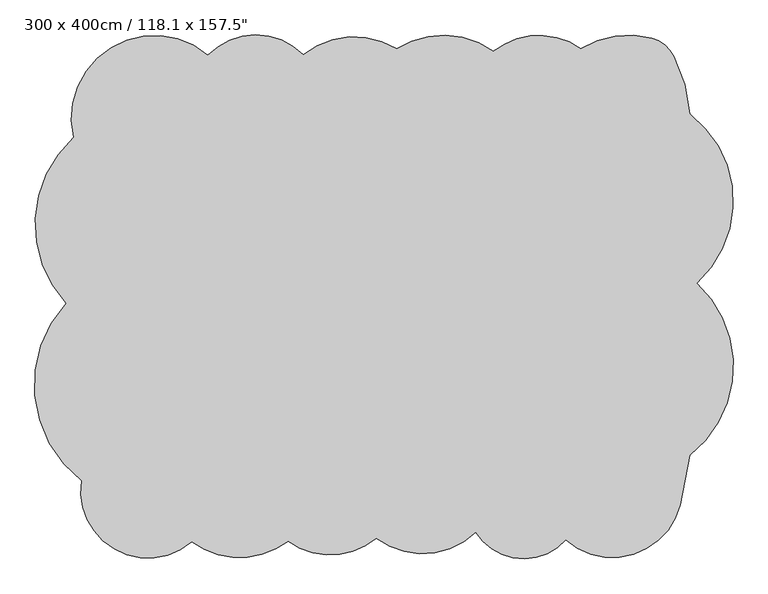
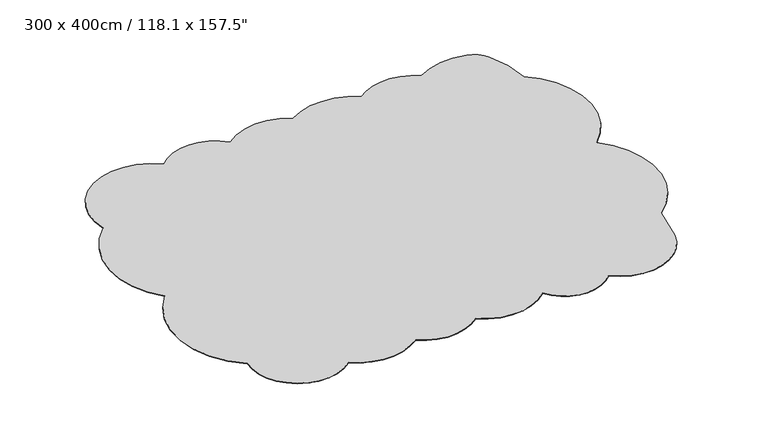
"""IFC4 building model written with IfcOpenShell, lengths in millimetres: furniture geometry."""

from ifc_helpers import new_model, si_unit, point, frame_2d, origin, origin_with_axes, place, context, project, spatial, circle_curve, trimmed, segment, composite_curve, outline, extrude, source, transform, mapped, element, save


def furniture_7aac58ef(model_context):
    return source(origin(), model_context, "Body", "SweptSolid", [
        extrude(outline(composite_curve([segment(trimmed(circle_curve(frame_2d((-1302.5736376, -504.6167673)), 689.6451918), [point((-1723.1191965, -1051.1988046))], [point((-1810.6750343, -38.3084345))], False, "CARTESIAN"), True, "CONTINUOUS"), segment(trimmed(circle_curve(frame_2d((-1322.9343401, 412.7978502)), 664.3702769), [point((-1810.6750343, -38.3084345))], [point((-1768.6604076, 905.4601459))], False, "CARTESIAN"), True, "CONTINUOUS"), segment(trimmed(circle_curve(frame_2d((-1309.3720515, 1014.2603685)), 471.9992399), [point((-1768.6604076, 905.4601459))], [point((-1003.7727036, 1373.9718099))], False, "CARTESIAN"), True, "CONTINUOUS"), segment(trimmed(circle_curve(frame_2d((-730.8615751, 1110.6178465)), 379.2568972), [point((-1003.7727036, 1373.9718099))], [point((-461.0864728, 1377.1833887))], False, "CARTESIAN"), True, "CONTINUOUS"), segment(trimmed(circle_curve(frame_2d((-171.8962061, 1019.6011169)), 459.8870421), [point((-461.0864728, 1377.1833887))], [point((71.8354432, 1409.5895457))], False, "CARTESIAN"), True, "CONTINUOUS"), segment(trimmed(circle_curve(frame_2d((336.7390713, 1000.1168092)), 487.6903261), [point((71.8354432, 1409.5895457))], [point((622.3901987, 1395.3955558))], False, "CARTESIAN"), True, "CONTINUOUS"), segment(trimmed(circle_curve(frame_2d((882.8244931, 1070.7534318)), 416.1953032), [point((622.3901987, 1395.3955558))], [point((1121.5622226, 1411.6681233))], False, "CARTESIAN"), True, "CONTINUOUS"), segment(trimmed(circle_curve(frame_2d((1391.3997803, 974.5453393)), 513.7009206), [point((1121.5622226, 1411.6681233))], [point((1524.5515417, 1470.6897177))], False, "CARTESIAN"), True, "CONTINUOUS"), segment(trimmed(circle_curve(frame_2d((1472.7113537, 1277.5250343)), 200.0), [point((1524.5515417, 1470.6897177))], [point((1650.5364792, 1369.0576774))], False, "CARTESIAN"), True, "CONTINUOUS"), segment(trimmed(circle_curve(frame_2d((912.0741807, 988.946004)), 830.5488851), [point((1650.5364792, 1369.0576774))], [point((1741.0855008, 1039.4601774))], False, "CARTESIAN"), True, "CONTINUOUS"), segment(trimmed(circle_curve(frame_2d((1361.9297835, 540.9576797)), 626.3096664), [point((1741.0855008, 1039.4601774))], [point((1781.0776818, 75.5773648))], False, "CARTESIAN"), True, "CONTINUOUS"), segment(trimmed(circle_curve(frame_2d((1347.0490142, -397.7684211)), 642.2126729), [point((1781.0776818, 75.5773648))], [point((1742.5504104, -903.7484235))], False, "CARTESIAN"), True, "CONTINUOUS"), segment(trimmed(circle_curve(frame_2d((-399.3821585, -640.7189582)), 2158.0221568), [point((1742.5504104, -903.7484235))], [point((1688.0496196, -1188.1568096))], False, "CARTESIAN"), True, "CONTINUOUS"), segment(trimmed(circle_curve(frame_2d((1300.3594406, -1086.4834133)), 400.8006417), [point((1688.0496196, -1188.1568096))], [point((1496.5808391, -1435.9663416))], False, "CARTESIAN"), True, "CONTINUOUS"), segment(trimmed(circle_curve(frame_2d((1300.3594406, -1086.4834133)), 400.8006417), [point((1496.5808391, -1435.9663416))], [point((1034.5069691, -1386.4227701))], False, "CARTESIAN"), True, "CONTINUOUS"), segment(trimmed(circle_curve(frame_2d((794.4377266, -1173.8738043)), 320.6404591), [point((1034.5069691, -1386.4227701))], [point((521.6234688, -1342.3454186))], False, "CARTESIAN"), True, "CONTINUOUS"), segment(trimmed(circle_curve(frame_2d((218.8045808, -1031.9305613)), 433.6550041), [point((521.6234688, -1342.3454186))], [point((-43.9476788, -1376.9202896))], False, "CARTESIAN"), True, "CONTINUOUS"), segment(trimmed(circle_curve(frame_2d((-306.0724215, -1071.242267)), 402.6765877), [point((-43.9476788, -1376.9202896))], [point((-546.3923886, -1394.3440275))], False, "CARTESIAN"), True, "CONTINUOUS"), segment(trimmed(circle_curve(frame_2d((-824.4376221, -1024.0050713)), 463.0983636), [point((-546.3923886, -1394.3440275))], [point((-1096.3448312, -1398.8738002))], False, "CARTESIAN"), True, "CONTINUOUS"), segment(trimmed(circle_curve(frame_2d((-1345.3207047, -1108.9182096)), 382.1821949), [point((-1096.3448312, -1398.8738002))], [point((-1601.9159177, -1392.1533182))], False, "CARTESIAN"), True, "CONTINUOUS"), segment(trimmed(circle_curve(frame_2d((-1345.3207047, -1108.9182096)), 382.1821949), [point((-1601.9159177, -1392.1533182))], [point((-1723.1191965, -1051.1988046))], False, "CARTESIAN"), True, "CONTINUOUS")], self_intersect=False)), origin_with_axes(), (0.0, 0.0, 1.0), 4.0),
    ])


if __name__ == "__main__":
    model = new_model("IFC4")
    model_context = context("Model", 3, world=origin())
    ifc_project = project(units=[si_unit("LENGTHUNIT", "METRE", prefix="MILLI")], contexts=[model_context])
    site = spatial("IfcSite", under=ifc_project)
    building = spatial("IfcBuilding", under=site)
    placement = place(None, origin())
    furniture_shape = furniture_7aac58ef(model_context)
    element("IfcFurniture", 1, ObjectType="300 x 400cm / 118.1 x 157.5\"", at=placement, inside=building, context=model_context, shape_type="MappedRepresentation", body=[
        mapped(furniture_shape, transform((0.0, 0.0, 0.0), x_axis=(1.0, 0.0, 0.0), y_axis=(0.0, 1.0, 0.0), z_axis=(0.0, 0.0, 1.0))),
    ])
    save(model, "model.ifc")
